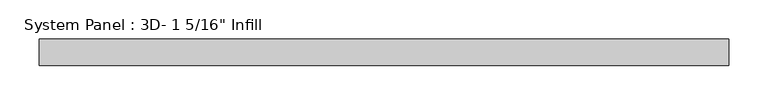
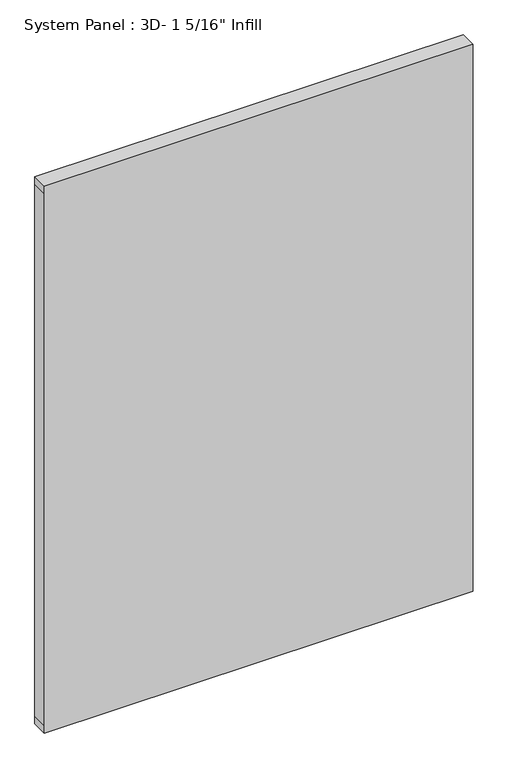
"""IFC4 building model written with IfcOpenShell, lengths in millimetres: plate geometry."""

from ifc_helpers import new_model, si_unit, frame, origin, place, context, project, spatial, polyline, outline, extrude, source, transform, mapped, element, save


def plate_641cec05(model_context):
    return source(origin(), model_context, "Body", "SweptSolid", [
        extrude(outline(polyline([(0.0, -438.1038418), (0.0, 438.1038418), (15.875, 438.1038418), (1165.225, 438.1038418), (1181.1, 438.1038418), (1181.1, -438.1038418), (1165.225, -438.1038418), (15.875, -438.1038418), (0.0, -438.1038418)])), frame((0.0, -16.66875, 0.0), z_axis=(0.0, 1.0, 0.0), x_axis=(0.0, 0.0, 1.0)), (0.0, 0.0, 1.0), 33.3375),
    ])


if __name__ == "__main__":
    model = new_model("IFC4")
    model_context = context("Model", 3, world=origin())
    ifc_project = project(units=[si_unit("LENGTHUNIT", "METRE", prefix="MILLI")], contexts=[model_context])
    site = spatial("IfcSite", under=ifc_project)
    building = spatial("IfcBuilding", under=site)
    placement = place(None, origin())
    plate_shape = plate_641cec05(model_context)
    element("IfcPlate", 1, ObjectType="System Panel : 3D- 1 5/16\" Infill", at=placement, inside=building, context=model_context, shape_type="MappedRepresentation", body=[
        mapped(plate_shape, transform((0.0, 0.0, 0.0), x_axis=(1.0, 0.0, 0.0), y_axis=(0.0, 1.0, 0.0), z_axis=(0.0, 0.0, 1.0))),
    ])
    save(model, "model.ifc")
